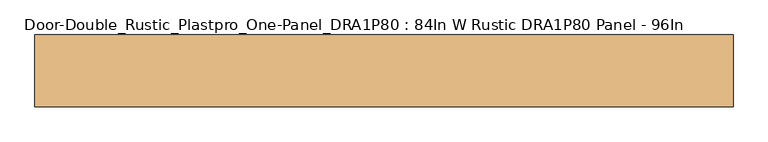
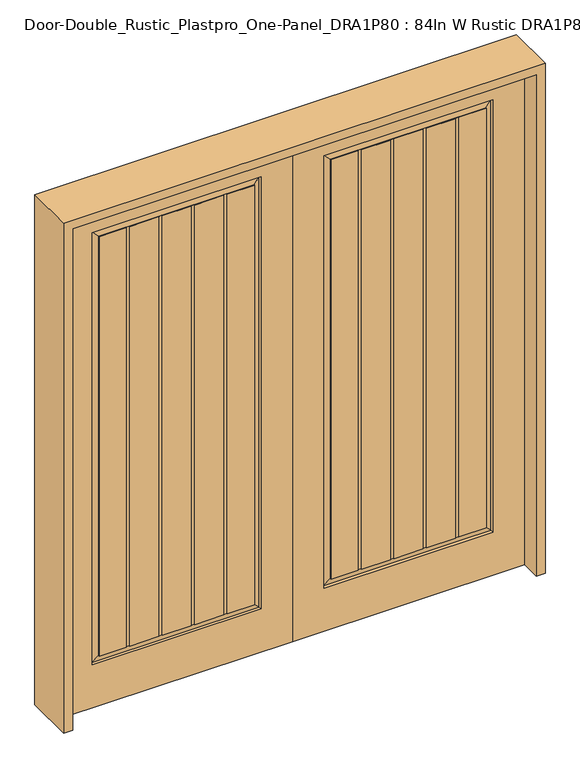
"""IFC4 building model written with IfcOpenShell, lengths in millimetres: door geometry, Door-Double_Rustic_Plastpro_One-Panel_DRA1P80 : 84In W Rustic DRA1P80 Panel - 96In."""

from ifc_helpers import new_model, si_unit, frame, origin, place, context, project, spatial, polyline, outline, extrude, faceted_brep, source, transform, mapped, element, save


def door_double_rustic_plastpro_one_panel_dra1p80_84in_w_rustic_6eae3ea5(model_context):
    return source(origin(), model_context, "Body", "SolidModel", [
        faceted_brep([(-1066.8, 20.6375, 0.0), (-1066.8, 20.6375, 2438.4), (0.0, 20.6375, 2438.4), (0.0, 20.6375, 0.0), (-750.0412675, 20.6375, 209.55), (-615.405985, 20.6375, 209.55), (-600.1262975, 20.6375, 209.55), (-465.491015, 20.6375, 209.55), (-450.2113275, 20.6375, 209.55), (-315.576045, 20.6375, 209.55), (-300.2963575, 20.6375, 209.55), (-144.4625, 20.6375, 209.55), (-144.4625, 20.6375, 2311.4), (-922.3375, 20.6375, 2311.4), (-922.3375, 20.6375, 209.55), (-765.320955, 20.6375, 209.55), (-765.320955, 20.6375, 2273.3), (-765.320955, 20.6375, 240.75717), (-891.13033, 20.6375, 240.75717), (-891.13033, 20.6375, 2280.19283), (-175.66967, 20.6375, 2280.19283), (-175.66967, 20.6375, 240.75717), (-300.2963575, 20.6375, 240.75717), (-300.2963575, 20.6375, 2273.3), (-315.576045, 20.6375, 2273.3), (-315.576045, 20.6375, 240.75717), (-450.2113275, 20.6375, 240.75717), (-450.2113275, 20.6375, 2273.3), (-465.491015, 20.6375, 2273.3), (-465.491015, 20.6375, 240.75717), (-600.1262975, 20.6375, 240.75717), (-600.1262975, 20.6375, 2273.3), (-615.405985, 20.6375, 2273.3), (-615.405985, 20.6375, 240.75717), (-750.0412675, 20.6375, 240.75717), (-750.0412675, 20.6375, 2273.3), (0.0, -20.6375, 0.0), (-1066.8, -20.6375, 0.0), (0.0, -20.6375, 2438.4), (-1066.8, -20.6375, 2438.4), (-765.320955, 17.4625, 209.55), (-750.0412675, 17.4625, 209.55), (-465.491015, 17.4625, 209.55), (-450.2113275, 17.4625, 209.55), (-615.405985, 17.4625, 209.55), (-600.1262975, 17.4625, 209.55), (-765.320955, 17.4625, 210.9636011), (-765.320955, 17.4625, 2273.3), (-765.320955, 17.4625, 240.75717), (-450.2113275, 17.4625, 240.75717), (-450.2113275, 17.4625, 2273.3), (-450.2113275, 17.4625, 210.9636011), (-750.0412675, 17.4625, 240.75717), (-750.0412675, 17.4625, 2273.3), (-750.0412675, 17.4625, 210.9636011), (-615.405985, 17.4625, 210.9636011), (-615.405985, 17.4625, 2273.3), (-615.405985, 17.4625, 240.75717), (-600.1262975, 17.4625, 240.75717), (-600.1262975, 17.4625, 2273.3), (-600.1262975, 17.4625, 210.9636011), (-465.491015, 17.4625, 210.9636011), (-465.491015, 17.4625, 2273.3), (-465.491015, 17.4625, 240.75717), (-922.3375, -20.6375, 209.55), (-922.3375, -20.6375, 2311.4), (-144.4625, -20.6375, 2311.4), (-144.4625, -20.6375, 209.55), (-466.2794733, -20.6375, 2280.19283), (-600.5205267, -20.6375, 2280.19283), (-600.5205267, -20.6375, 240.75717), (-466.2794733, -20.6375, 240.75717), (-450.9997858, -20.6375, 240.75717), (-316.7587325, -20.6375, 240.75717), (-316.7587325, -20.6375, 2280.19283), (-450.9997858, -20.6375, 2280.19283), (-615.8002142, -20.6375, 2280.19283), (-750.0412675, -20.6375, 2280.19283), (-750.0412675, -20.6375, 240.75717), (-615.8002142, -20.6375, 240.75717), (-765.320955, -20.6375, 2280.19283), (-891.13033, -20.6375, 2280.19283), (-891.13033, -20.6375, 240.75717), (-765.320955, -20.6375, 240.75717), (-301.479045, -20.6375, 240.75717), (-175.66967, -20.6375, 240.75717), (-175.66967, -20.6375, 2280.19283), (-301.479045, -20.6375, 2280.19283), (-466.2794733, -17.4625, 240.75717), (-466.2794733, -17.4625, 2280.19283), (-600.5205267, -17.4625, 2280.19283), (-600.5205267, -17.4625, 240.75717), (-615.8002142, -17.4625, 240.75717), (-615.8002142, -17.4625, 2280.19283), (-450.9997858, -17.4625, 2280.19283), (-450.9997858, -17.4625, 240.75717), (-765.320955, -17.4625, 240.75717), (-765.320955, -17.4625, 2280.19283), (-148.681307, 11.1619043, 213.768807), (-300.2963575, 17.4625, 210.9636011), (-315.576045, 17.4625, 210.9636011), (-918.118693, 11.1619043, 213.768807), (-918.118693, 11.1619043, 2307.181193), (-148.681307, 11.1619043, 2307.181193), (-315.576045, 17.4625, 209.55), (-300.2963575, 17.4625, 209.55), (-891.13033, 16.4079106, 240.75717), (-315.576045, 17.4625, 240.75717), (-300.2963575, 17.4625, 240.75717), (-175.66967, 16.4079106, 240.75717), (-315.576045, 17.4625, 2273.3), (-300.2963575, 17.4625, 2273.3), (-175.66967, 16.4079106, 2280.19283), (-891.13033, 16.4079106, 2280.19283), (-175.66967, -16.4079106, 240.75717), (-301.479045, -17.4625, 240.75717), (-316.7587325, -17.4625, 240.75717), (-750.0412675, -17.4625, 240.75717), (-891.13033, -16.4079106, 240.75717), (-316.7587325, -17.4625, 2280.19283), (-750.0412675, -17.4625, 2280.19283), (-918.118693, -11.1619043, 213.768807), (-148.681307, -11.1619043, 213.768807), (-148.681307, -11.1619043, 2307.181193), (-918.118693, -11.1619043, 2307.181193), (-891.13033, -16.4079106, 2280.19283), (-301.479045, -17.4625, 2280.19283), (-175.66967, -16.4079106, 2280.19283)], [[[0, 1, 2, 3], [4, 5, 6, 7, 8, 9, 10, 11, 12, 13, 14, 15]], [[16, 17, 18, 19, 20, 21, 22, 23, 24, 25, 26, 27, 28, 29, 30, 31, 32, 33, 34, 35]], [[3, 36, 37, 0]], [[2, 38, 36, 3]], [[0, 37, 39, 1]], [[15, 40, 41, 4]], [[7, 42, 43, 8]], [[5, 44, 45, 6]], [[15, 46, 40]], [[47, 48, 17, 16]], [[27, 26, 49, 50]], [[43, 51, 8]], [[35, 34, 52, 53]], [[41, 54, 4]], [[5, 55, 44]], [[56, 57, 33, 32]], [[31, 30, 58, 59]], [[45, 60, 6]], [[7, 61, 42]], [[62, 63, 29, 28]], [[36, 38, 39, 37], [64, 65, 66, 67]], [[68, 69, 70, 71]], [[72, 73, 74, 75]], [[76, 77, 78, 79]], [[80, 81, 82, 83]], [[84, 85, 86, 87]], [[71, 88, 89, 68]], [[69, 90, 91, 70]], [[79, 92, 93, 76]], [[75, 94, 95, 72]], [[83, 96, 97, 80]], [[88, 95, 94, 89]], [[92, 91, 90, 93]], [[42, 61, 51, 43]], [[50, 49, 63, 62]], [[44, 55, 60, 45]], [[59, 58, 57, 56]], [[40, 46, 54, 41]], [[53, 52, 48, 47]], [[1, 39, 38, 2]], [[35, 53, 47, 16]], [[27, 50, 62, 28]], [[31, 59, 56, 32]], [[98, 11, 10, 99, 100, 9, 8, 51, 61, 7, 6, 60, 55, 5, 4, 54, 46, 15, 14, 101]], [[14, 13, 102, 101]], [[98, 103, 12, 11]], [[9, 104, 105, 10]], [[106, 18, 17, 48, 52, 34, 33, 57, 58, 30, 29, 63, 49, 26, 25, 107, 108, 22, 21, 109]], [[9, 100, 104]], [[110, 107, 25, 24]], [[23, 22, 108, 111]], [[105, 99, 10]], [[21, 20, 112, 109]], [[106, 113, 19, 18]], [[114, 85, 84, 115, 116, 73, 72, 95, 88, 71, 70, 91, 92, 79, 78, 117, 96, 83, 82, 118]], [[73, 116, 119, 74]], [[77, 120, 117, 78]], [[121, 64, 67, 122]], [[67, 66, 123, 122]], [[121, 124, 65, 64]], [[82, 81, 125, 118]], [[87, 126, 115, 84]], [[114, 127, 86, 85]], [[118, 121, 122, 114]], [[96, 117, 120, 97]], [[116, 115, 126, 119]], [[122, 123, 127, 114]], [[118, 125, 124, 121]], [[101, 106, 109, 98]], [[104, 100, 99, 105]], [[111, 108, 107, 110]], [[109, 112, 103, 98]], [[101, 102, 113, 106]], [[13, 12, 103, 102]], [[124, 123, 66, 65]], [[125, 127, 123, 124]], [[102, 103, 112, 113]], [[81, 80, 97, 120, 77, 76, 93, 90, 69, 68, 89, 94, 75, 74, 119, 126, 87, 86, 127, 125]], [[113, 112, 20, 19]], [[23, 111, 110, 24]]]),
        faceted_brep([(1066.8, 20.6375, 0.0), (0.0, 20.6375, 0.0), (0.0, 20.6375, 2438.4), (1066.8, 20.6375, 2438.4), (750.0412675, 20.6375, 209.55), (765.320955, 20.6375, 209.55), (922.3375, 20.6375, 209.55), (922.3375, 20.6375, 2311.4), (144.4625, 20.6375, 2311.4), (144.4625, 20.6375, 209.55), (300.2963575, 20.6375, 209.55), (315.576045, 20.6375, 209.55), (450.2113275, 20.6375, 209.55), (465.491015, 20.6375, 209.55), (600.1262975, 20.6375, 209.55), (615.405985, 20.6375, 209.55), (765.320955, 20.6375, 2273.3), (750.0412675, 20.6375, 2273.3), (750.0412675, 20.6375, 240.75717), (615.405985, 20.6375, 240.75717), (615.405985, 20.6375, 2273.3), (600.1262975, 20.6375, 2273.3), (600.1262975, 20.6375, 240.75717), (465.491015, 20.6375, 240.75717), (465.491015, 20.6375, 2273.3), (450.2113275, 20.6375, 2273.3), (450.2113275, 20.6375, 240.75717), (315.576045, 20.6375, 240.75717), (315.576045, 20.6375, 2273.3), (300.2963575, 20.6375, 2273.3), (300.2963575, 20.6375, 240.75717), (175.66967, 20.6375, 240.75717), (175.66967, 20.6375, 2280.19283), (891.13033, 20.6375, 2280.19283), (891.13033, 20.6375, 240.75717), (765.320955, 20.6375, 240.75717), (1066.8, -20.6375, 0.0), (0.0, -20.6375, 0.0), (0.0, -20.6375, 2438.4), (1066.8, -20.6375, 2438.4), (750.0412675, 17.4625, 209.55), (765.320955, 17.4625, 209.55), (450.2113275, 17.4625, 209.55), (465.491015, 17.4625, 209.55), (600.1262975, 17.4625, 209.55), (615.405985, 17.4625, 209.55), (765.320955, 17.4625, 210.9636011), (765.320955, 17.4625, 2273.3), (765.320955, 17.4625, 240.75717), (450.2113275, 17.4625, 210.9636011), (450.2113275, 17.4625, 2273.3), (450.2113275, 17.4625, 240.75717), (750.0412675, 17.4625, 210.9636011), (750.0412675, 17.4625, 2273.3), (750.0412675, 17.4625, 240.75717), (615.405985, 17.4625, 210.9636011), (615.405985, 17.4625, 2273.3), (615.405985, 17.4625, 240.75717), (600.1262975, 17.4625, 210.9636011), (600.1262975, 17.4625, 2273.3), (600.1262975, 17.4625, 240.75717), (465.491015, 17.4625, 210.9636011), (465.491015, 17.4625, 2273.3), (465.491015, 17.4625, 240.75717), (922.3375, -20.6375, 209.55), (144.4625, -20.6375, 209.55), (144.4625, -20.6375, 2311.4), (922.3375, -20.6375, 2311.4), (466.2794733, -20.6375, 2280.19283), (466.2794733, -20.6375, 240.75717), (600.5205267, -20.6375, 240.75717), (600.5205267, -20.6375, 2280.19283), (450.9997858, -20.6375, 240.75717), (450.9997858, -20.6375, 2280.19283), (316.7587325, -20.6375, 2280.19283), (316.7587325, -20.6375, 240.75717), (615.8002142, -20.6375, 2280.19283), (615.8002142, -20.6375, 240.75717), (750.0412675, -20.6375, 240.75717), (750.0412675, -20.6375, 2280.19283), (765.320955, -20.6375, 2280.19283), (765.320955, -20.6375, 240.75717), (891.13033, -20.6375, 240.75717), (891.13033, -20.6375, 2280.19283), (301.479045, -20.6375, 240.75717), (301.479045, -20.6375, 2280.19283), (175.66967, -20.6375, 2280.19283), (175.66967, -20.6375, 240.75717), (466.2794733, -17.4625, 2280.19283), (466.2794733, -17.4625, 240.75717), (600.5205267, -17.4625, 240.75717), (600.5205267, -17.4625, 2280.19283), (615.8002142, -17.4625, 2280.19283), (615.8002142, -17.4625, 240.75717), (450.9997858, -17.4625, 240.75717), (450.9997858, -17.4625, 2280.19283), (765.320955, -17.4625, 2280.19283), (765.320955, -17.4625, 240.75717), (148.681307, 11.1619043, 213.768807), (918.118693, 11.1619043, 213.768807), (315.576045, 17.4625, 210.9636011), (300.2963575, 17.4625, 210.9636011), (918.118693, 11.1619043, 2307.181193), (148.681307, 11.1619043, 2307.181193), (300.2963575, 17.4625, 209.55), (315.576045, 17.4625, 209.55), (891.13033, 16.4079106, 240.75717), (175.66967, 16.4079106, 240.75717), (300.2963575, 17.4625, 240.75717), (315.576045, 17.4625, 240.75717), (315.576045, 17.4625, 2273.3), (300.2963575, 17.4625, 2273.3), (175.66967, 16.4079106, 2280.19283), (891.13033, 16.4079106, 2280.19283), (175.66967, -16.4079106, 240.75717), (891.13033, -16.4079106, 240.75717), (750.0412675, -17.4625, 240.75717), (316.7587325, -17.4625, 240.75717), (301.479045, -17.4625, 240.75717), (316.7587325, -17.4625, 2280.19283), (750.0412675, -17.4625, 2280.19283), (918.118693, -11.1619043, 213.768807), (148.681307, -11.1619043, 213.768807), (148.681307, -11.1619043, 2307.181193), (918.118693, -11.1619043, 2307.181193), (891.13033, -16.4079106, 2280.19283), (301.479045, -17.4625, 2280.19283), (175.66967, -16.4079106, 2280.19283)], [[[0, 1, 2, 3], [4, 5, 6, 7, 8, 9, 10, 11, 12, 13, 14, 15]], [[16, 17, 18, 19, 20, 21, 22, 23, 24, 25, 26, 27, 28, 29, 30, 31, 32, 33, 34, 35]], [[1, 0, 36, 37]], [[2, 1, 37, 38]], [[0, 3, 39, 36]], [[5, 4, 40, 41]], [[13, 12, 42, 43]], [[15, 14, 44, 45]], [[5, 41, 46]], [[47, 16, 35, 48]], [[42, 12, 49]], [[25, 50, 51, 26]], [[40, 4, 52]], [[17, 53, 54, 18]], [[15, 45, 55]], [[56, 20, 19, 57]], [[44, 14, 58]], [[21, 59, 60, 22]], [[13, 43, 61]], [[62, 24, 23, 63]], [[37, 36, 39, 38], [64, 65, 66, 67]], [[68, 69, 70, 71]], [[72, 73, 74, 75]], [[76, 77, 78, 79]], [[80, 81, 82, 83]], [[84, 85, 86, 87]], [[69, 68, 88, 89]], [[71, 70, 90, 91]], [[77, 76, 92, 93]], [[73, 72, 94, 95]], [[81, 80, 96, 97]], [[89, 88, 95, 94]], [[93, 92, 91, 90]], [[43, 42, 49, 61]], [[50, 62, 63, 51]], [[45, 44, 58, 55]], [[59, 56, 57, 60]], [[41, 40, 52, 46]], [[53, 47, 48, 54]], [[3, 2, 38, 39]], [[17, 16, 47, 53]], [[25, 24, 62, 50]], [[21, 20, 56, 59]], [[98, 99, 6, 5, 46, 52, 4, 15, 55, 58, 14, 13, 61, 49, 12, 11, 100, 101, 10, 9]], [[6, 99, 102, 7]], [[98, 9, 8, 103]], [[11, 10, 104, 105]], [[106, 107, 31, 30, 108, 109, 27, 26, 51, 63, 23, 22, 60, 57, 19, 18, 54, 48, 35, 34]], [[11, 105, 100]], [[110, 28, 27, 109]], [[104, 10, 101]], [[29, 111, 108, 30]], [[31, 107, 112, 32]], [[106, 34, 33, 113]], [[114, 115, 82, 81, 97, 116, 78, 77, 93, 90, 70, 69, 89, 94, 72, 75, 117, 118, 84, 87]], [[75, 74, 119, 117]], [[79, 78, 116, 120]], [[121, 122, 65, 64]], [[65, 122, 123, 66]], [[121, 64, 67, 124]], [[82, 115, 125, 83]], [[85, 84, 118, 126]], [[114, 87, 86, 127]], [[115, 114, 122, 121]], [[97, 96, 120, 116]], [[117, 119, 126, 118]], [[122, 114, 127, 123]], [[115, 121, 124, 125]], [[99, 98, 107, 106]], [[105, 104, 101, 100]], [[111, 110, 109, 108]], [[107, 98, 103, 112]], [[99, 106, 113, 102]], [[7, 102, 103, 8]], [[124, 67, 66, 123]], [[125, 124, 123, 127]], [[102, 113, 112, 103]], [[83, 125, 127, 86, 85, 126, 119, 74, 73, 95, 88, 68, 71, 91, 92, 76, 79, 120, 96, 80]], [[113, 33, 32, 112]], [[29, 28, 110, 111]]]),
        extrude(outline(polyline([(2479.675, -1108.075), (0.0, -1108.075), (0.0, -1066.8), (2438.4, -1066.8), (2438.4, 1066.8), (0.0, 1066.8), (0.0, 1108.075), (2479.675, 1108.075), (2479.675, -1108.075)])), frame((0.0, -114.3, 0.0), z_axis=(0.0, 1.0, 0.0), x_axis=(0.0, 0.0, 1.0)), (0.0, 0.0, 1.0), 228.6),
    ])


if __name__ == "__main__":
    model = new_model("IFC4")
    model_context = context("Model", 3, world=origin())
    ifc_project = project(units=[si_unit("LENGTHUNIT", "METRE", prefix="MILLI")], contexts=[model_context])
    site = spatial("IfcSite", under=ifc_project)
    building = spatial("IfcBuilding", under=site)
    placement = place(None, origin())
    door_double_rustic_plastpro_one_panel_dra1p80_84in_w_rustic_shape = door_double_rustic_plastpro_one_panel_dra1p80_84in_w_rustic_6eae3ea5(model_context)
    element("IfcDoor", 1, ObjectType="Door-Double_Rustic_Plastpro_One-Panel_DRA1P80 : 84In W Rustic DRA1P80 Panel - 96In", at=placement, inside=building, context=model_context, shape_type="MappedRepresentation", body=[
        mapped(door_double_rustic_plastpro_one_panel_dra1p80_84in_w_rustic_shape, transform((0.0, 0.0, 0.0), x_axis=(1.0, 0.0, 0.0), y_axis=(0.0, 1.0, 0.0), z_axis=(0.0, 0.0, 1.0))),
    ])
    save(model, "model.ifc")
